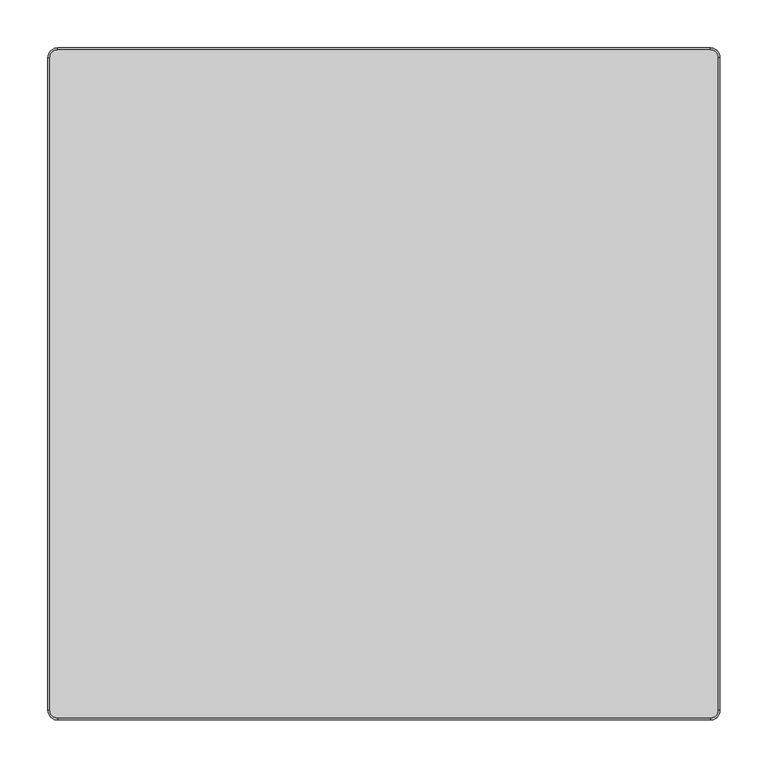
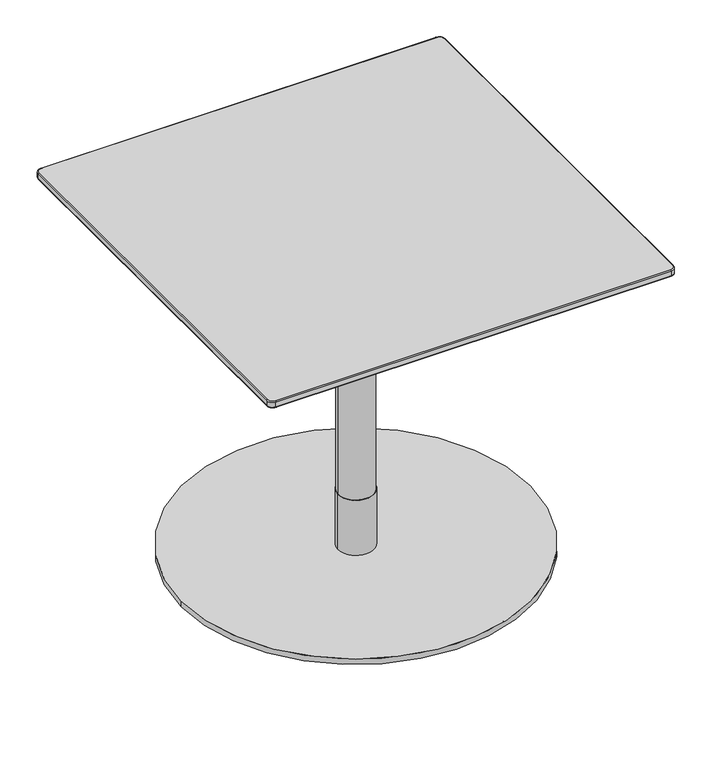
"""IFC4 building model written with IfcOpenShell, lengths in millimetres: furniture geometry."""

from ifc_helpers import new_model, si_unit, point, frame, origin, origin_with_axes, origin_2d, place, context, project, spatial, polyline, circle_curve, ellipse_curve, trimmed, segment, composite_curve, outline, extrude, source, transform, mapped, element, save
from ifc_brep_helpers import plane_surface, cylinder_surface, revolved_surface, spline_surface, advanced_brep


def furniture_01a43686(model_context):
    return source(origin(), model_context, "Body", "SolidModel", [
        advanced_brep(
        [(-348.0, -340.0, 600.0), (-340.0, -348.0, 600.0), (340.0, -348.0, 600.0), (348.0, -340.0, 600.0), (348.0, 340.0, 600.0), (340.0, 348.0, 600.0), (-340.0, 348.0, 600.0), (-348.0, 340.0, 600.0), (-340.0, -348.6840403, 588.2400004), (-348.6840403, -340.0, 588.2400004), (-348.6840403, 340.0, 588.2400004), (-340.0, 348.6840403, 588.2400004), (340.0, 348.6840403, 588.2400004), (348.6840403, 340.0, 588.2400004), (348.6840403, -340.0, 588.2400004), (340.0, -348.6840403, 588.2400004), (340.0, 350.0, 598.0000002), (340.0, 350.0, 590.1193857), (-340.0, 350.0, 590.1193857), (-340.0, 350.0, 598.0), (-350.0, 340.0, 598.0000002), (-350.0, 340.0, 590.1193857), (-350.0, -340.0, 590.1193857), (-350.0, -340.0, 598.0000013), (-340.0, -350.0, 598.0000002), (-340.0, -350.0, 590.1193857), (340.0, -350.0, 590.1193857), (340.0, -350.0, 598.0), (350.0, -340.0, 598.0000002), (350.0, -340.0, 590.1193857), (350.0, 340.0, 590.1193857), (350.0, 340.0, 598.0)],
        [
            (0, 1, circle_curve(frame((-340.0, -340.0, 600.0), z_axis=(0.0, 0.0, 1.0), x_axis=(-1.0, 0.0, 0.0)), 8.0)),
            (1, 2),
            (2, 3, circle_curve(frame((340.0, -340.0, 600.0), z_axis=(0.0, 0.0, 1.0), x_axis=(0.0, -1.0, 0.0)), 8.0)),
            (3, 4),
            (4, 5, circle_curve(frame((340.0, 340.0, 600.0), z_axis=(0.0, 0.0, 1.0), x_axis=(1.0, 0.0, 0.0)), 8.0)),
            (5, 6),
            (6, 7, circle_curve(frame((-340.0, 340.0, 600.0), z_axis=(0.0, 0.0, 1.0), x_axis=(0.0, 1.0, 0.0)), 8.0)),
            (7, 0),
            (8, 9, circle_curve(frame((-340.0, -340.0, 588.2400004), z_axis=(0.0, 0.0, -1.0), x_axis=(-1.0, 0.0, 0.0)), 8.6840403)),
            (9, 10),
            (10, 11, circle_curve(frame((-340.0, 340.0, 588.2400004), z_axis=(0.0, 0.0, -1.0), x_axis=(0.0, 1.0, 0.0)), 8.6840403)),
            (11, 12),
            (12, 13, circle_curve(frame((340.0, 340.0, 588.2400004), z_axis=(0.0, 0.0, -1.0), x_axis=(1.0, 0.0, 0.0)), 8.6840403)),
            (13, 14),
            (14, 15, circle_curve(frame((340.0, -340.0, 588.2400004), z_axis=(0.0, 0.0, -1.0), x_axis=(0.0, -1.0, 0.0)), 8.6840403)),
            (15, 8),
            (16, 17),
            (17, 18),
            (18, 19),
            (19, 16),
            (20, 21),
            (21, 22),
            (22, 23),
            (23, 20),
            (24, 25),
            (25, 26),
            (26, 27),
            (27, 24),
            (28, 29),
            (29, 30),
            (30, 31),
            (31, 28),
            (20, 19, circle_curve(frame((-340.0, 340.0, 598.0), z_axis=(0.0, 0.0, -1.0), x_axis=(1.0, 0.0, 0.0)), 10.0)),
            (18, 21, circle_curve(frame((-340.0, 340.0, 590.1193857), z_axis=(0.0, 0.0, 1.0), x_axis=(1.0, 0.0, 0.0)), 10.0)),
            (24, 23, circle_curve(frame((-340.0, -340.0, 598.0), z_axis=(0.0, 0.0, -1.0), x_axis=(1.0, 0.0, 0.0)), 10.0)),
            (22, 25, circle_curve(frame((-340.0, -340.0, 590.1193857), z_axis=(0.0, 0.0, 1.0), x_axis=(1.0, 0.0, 0.0)), 10.0)),
            (28, 27, circle_curve(frame((340.0, -340.0, 598.0), z_axis=(0.0, 0.0, -1.0), x_axis=(1.0, 0.0, 0.0)), 10.0)),
            (26, 29, circle_curve(frame((340.0, -340.0, 590.1193857), z_axis=(0.0, 0.0, 1.0), x_axis=(1.0, 0.0, 0.0)), 10.0)),
            (16, 31, circle_curve(frame((340.0, 340.0, 598.0), z_axis=(0.0, 0.0, -1.0), x_axis=(1.0, 0.0, 0.0)), 10.0)),
            (30, 17, circle_curve(frame((340.0, 340.0, 590.1193857), z_axis=(0.0, 0.0, 1.0), x_axis=(1.0, 0.0, 0.0)), 10.0)),
            (8, 25, circle_curve(frame((-340.0, -348.0, 590.1193857), z_axis=(-1.0, 0.0, 0.0), x_axis=(0.0, 1.0, 0.0)), 2.0)),
            (22, 9, circle_curve(frame((-348.0, -340.0, 590.1193857), z_axis=(0.0, -1.0, 0.0), x_axis=(1.0, 0.0, 0.0)), 2.0)),
            (24, 1, circle_curve(frame((-340.0, -348.0, 598.0), z_axis=(-1.0, 0.0, 0.0), x_axis=(0.0, 1.0, 0.0)), 2.0)),
            (0, 23, circle_curve(frame((-348.0, -340.0, 598.0), z_axis=(0.0, -1.0, 0.0), x_axis=(1.0, 0.0, 0.0)), 2.0)),
            (15, 26, circle_curve(frame((340.0, -348.0, 590.1193857), z_axis=(-1.0, 0.0, 0.0), x_axis=(0.0, 1.0, 0.0)), 2.0)),
            (27, 2, circle_curve(frame((340.0, -348.0, 598.0), z_axis=(-1.0, 0.0, 0.0), x_axis=(0.0, 1.0, 0.0)), 2.0)),
            (14, 29, circle_curve(frame((348.0, -340.0, 590.1193857), z_axis=(0.0, -1.0, 0.0), x_axis=(-1.0, 0.0, 0.0)), 2.0)),
            (28, 3, circle_curve(frame((348.0, -340.0, 598.0), z_axis=(0.0, -1.0, 0.0), x_axis=(-1.0, 0.0, 0.0)), 2.0)),
            (13, 30, circle_curve(frame((348.0, 340.0, 590.1193857), z_axis=(0.0, -1.0, 0.0), x_axis=(-1.0, 0.0, 0.0)), 2.0)),
            (31, 4, circle_curve(frame((348.0, 340.0, 598.0), z_axis=(0.0, -1.0, 0.0), x_axis=(-1.0, 0.0, 0.0)), 2.0)),
            (12, 17, circle_curve(frame((340.0, 348.0, 590.1193857), z_axis=(1.0, 0.0, 0.0), x_axis=(0.0, -1.0, 0.0)), 2.0)),
            (16, 5, circle_curve(frame((340.0, 348.0, 598.0), z_axis=(1.0, 0.0, 0.0), x_axis=(0.0, -1.0, 0.0)), 2.0)),
            (11, 18, circle_curve(frame((-340.0, 348.0, 590.1193857), z_axis=(1.0, 0.0, 0.0), x_axis=(0.0, -1.0, 0.0)), 2.0)),
            (19, 6, circle_curve(frame((-340.0, 348.0, 598.0), z_axis=(1.0, 0.0, 0.0), x_axis=(0.0, -1.0, 0.0)), 2.0)),
            (10, 21, circle_curve(frame((-348.0, 340.0, 590.1193857), z_axis=(0.0, 1.0, 0.0), x_axis=(1.0, 0.0, 0.0)), 2.0)),
            (20, 7, circle_curve(frame((-348.0, 340.0, 598.0), z_axis=(0.0, 1.0, 0.0), x_axis=(1.0, 0.0, 0.0)), 2.0)),
        ],
        [
            plane_surface(frame((-330.0, 350.0, 600.0), z_axis=(0.0, 0.0, 1.0), x_axis=(-1.0, 0.0, 0.0))),
            plane_surface(frame((-330.0, 350.0, 588.2400004), z_axis=(0.0, 0.0, -1.0), x_axis=(1.0, 0.0, 0.0))),
            plane_surface(frame((340.0, 350.0, 600.0), z_axis=(0.0, 1.0, 0.0), x_axis=(0.0, 0.0, -1.0))),
            plane_surface(frame((-350.0, 340.0, 600.0), z_axis=(-1.0, 0.0, 0.0), x_axis=(0.0, 0.0, -1.0))),
            plane_surface(frame((-340.0, -350.0, 600.0), z_axis=(0.0, -1.0, 0.0), x_axis=(0.0, 0.0, -1.0))),
            plane_surface(frame((350.0, -340.0, 600.0), z_axis=(1.0, 0.0, 0.0), x_axis=(0.0, 0.0, -1.0))),
            cylinder_surface(frame((-340.0, 340.0, 588.2400004), z_axis=(0.0, 0.0, 1.0), x_axis=(1.0, 0.0, 0.0)), 10.0),
            cylinder_surface(frame((-340.0, -340.0, 588.2400004), z_axis=(0.0, 0.0, 1.0), x_axis=(1.0, 0.0, 0.0)), 10.0),
            cylinder_surface(frame((340.0, -340.0, 588.2400004), z_axis=(0.0, 0.0, 1.0), x_axis=(1.0, 0.0, 0.0)), 10.0),
            cylinder_surface(frame((340.0, 340.0, 588.2400004), z_axis=(0.0, 0.0, 1.0), x_axis=(1.0, 0.0, 0.0)), 10.0),
            revolved_surface(trimmed(ellipse_curve(frame((-348.0, -340.0, 590.1193857), z_axis=(0.0, 1.0, 0.0), x_axis=(1.0, 0.0, 0.0)), 2.0, 2.0), [point((-348.6840403, -340.0, 588.2400004))], [point((-350.0, -340.0, 590.1193857))], True, "CARTESIAN"), (-340.0, -340.0, 6.1202237), (0.0, 0.0, 1.0)),
            revolved_surface(trimmed(ellipse_curve(frame((-348.0, -340.0, 598.0), z_axis=(0.0, 1.0, 0.0), x_axis=(1.0, 0.0, 0.0)), 2.0, 2.0), [point((-350.0, -340.0, 598.0))], [point((-348.0, -340.0, 600.0))], True, "CARTESIAN"), (-340.0, -340.0, 6.1202237), (0.0, 0.0, 1.0)),
            cylinder_surface(frame((-340.0, -348.0, 590.1193857), z_axis=(1.0, 0.0, 0.0), x_axis=(0.0, 1.0, 0.0)), 2.0),
            cylinder_surface(frame((-340.0, -348.0, 598.0), z_axis=(1.0, 0.0, 0.0), x_axis=(0.0, 1.0, 0.0)), 2.0),
            revolved_surface(trimmed(ellipse_curve(frame((340.0, -348.0, 590.1193857), z_axis=(-1.0, 0.0, 0.0), x_axis=(0.0, 1.0, 0.0)), 2.0, 2.0), [point((340.0, -348.6840403, 588.2400004))], [point((340.0, -350.0, 590.1193857))], True, "CARTESIAN"), (340.0, -340.0, 6.1202237), (0.0, 0.0, 1.0)),
            revolved_surface(trimmed(ellipse_curve(frame((340.0, -348.0, 598.0), z_axis=(-1.0, 0.0, 0.0), x_axis=(0.0, 1.0, 0.0)), 2.0, 2.0), [point((340.0, -350.0, 598.0))], [point((340.0, -348.0, 600.0))], True, "CARTESIAN"), (340.0, -340.0, 6.1202237), (0.0, 0.0, 1.0)),
            cylinder_surface(frame((348.0, -340.0, 590.1193857), z_axis=(0.0, 1.0, 0.0), x_axis=(-1.0, 0.0, 0.0)), 2.0),
            cylinder_surface(frame((348.0, -340.0, 598.0), z_axis=(0.0, 1.0, 0.0), x_axis=(-1.0, 0.0, 0.0)), 2.0),
            revolved_surface(trimmed(ellipse_curve(frame((348.0, 340.0, 590.1193857), z_axis=(0.0, -1.0, 0.0), x_axis=(-1.0, 0.0, 0.0)), 2.0, 2.0), [point((348.6840403, 340.0, 588.2400004))], [point((350.0, 340.0, 590.1193857))], True, "CARTESIAN"), (340.0, 340.0, 6.1202237), (0.0, 0.0, 1.0)),
            revolved_surface(trimmed(ellipse_curve(frame((348.0, 340.0, 598.0), z_axis=(0.0, -1.0, 0.0), x_axis=(-1.0, 0.0, 0.0)), 2.0, 2.0), [point((350.0, 340.0, 598.0))], [point((348.0, 340.0, 600.0))], True, "CARTESIAN"), (340.0, 340.0, 6.1202237), (0.0, 0.0, 1.0)),
            cylinder_surface(frame((340.0, 348.0, 590.1193857), z_axis=(-1.0, 0.0, 0.0), x_axis=(0.0, -1.0, 0.0)), 2.0),
            cylinder_surface(frame((340.0, 348.0, 598.0), z_axis=(-1.0, 0.0, 0.0), x_axis=(0.0, -1.0, 0.0)), 2.0),
            revolved_surface(trimmed(ellipse_curve(frame((-340.0, 348.0, 590.1193857), z_axis=(1.0, 0.0, 0.0), x_axis=(0.0, -1.0, 0.0)), 2.0, 2.0), [point((-340.0, 348.6840403, 588.2400004))], [point((-340.0, 350.0, 590.1193857))], True, "CARTESIAN"), (-340.0, 340.0, 6.1202237), (0.0, 0.0, 1.0)),
            revolved_surface(trimmed(ellipse_curve(frame((-340.0, 348.0, 598.0), z_axis=(1.0, 0.0, 0.0), x_axis=(0.0, -1.0, 0.0)), 2.0, 2.0), [point((-340.0, 350.0, 598.0))], [point((-340.0, 348.0, 600.0))], True, "CARTESIAN"), (-340.0, 340.0, 6.1202237), (0.0, 0.0, 1.0)),
            cylinder_surface(frame((-348.0, 340.0, 590.1193857), z_axis=(0.0, -1.0, 0.0), x_axis=(1.0, 0.0, 0.0)), 2.0),
            cylinder_surface(frame((-348.0, 340.0, 598.0), z_axis=(0.0, -1.0, 0.0), x_axis=(1.0, 0.0, 0.0)), 2.0),
        ],
        [
            (0, [[1, 2, 3, 4, 5, 6, 7, 8]]),
            (1, [[9, 10, 11, 12, 13, 14, 15, 16]]),
            (2, [[17, 18, 19, 20]]),
            (3, [[21, 22, 23, 24]]),
            (4, [[25, 26, 27, 28]]),
            (5, [[29, 30, 31, 32]]),
            (6, [[-21, 33, -19, 34]]),
            (7, [[-25, 35, -23, 36]]),
            (8, [[-29, 37, -27, 38]]),
            (9, [[-17, 39, -31, 40]]),
            (10, [[41, -36, 42, -9]]),
            (11, [[43, -1, 44, -35]]),
            (12, [[-41, -16, 45, -26]]),
            (13, [[-43, -28, 46, -2]]),
            (14, [[-45, -15, 47, -38]]),
            (15, [[-46, -37, 48, -3]]),
            (16, [[-47, -14, 49, -30]]),
            (17, [[-48, -32, 50, -4]]),
            (18, [[-49, -13, 51, -40]]),
            (19, [[-50, -39, 52, -5]]),
            (20, [[-51, -12, 53, -18]]),
            (21, [[-52, -20, 54, -6]]),
            (22, [[-53, -11, 55, -34]]),
            (23, [[-54, -33, 56, -7]]),
            (24, [[-42, -22, -55, -10]]),
            (25, [[-44, -8, -56, -24]]),
        ],
    ),
        advanced_brep(
        [(340.0, 348.6840403, 588.2400004), (-340.0, 348.6840403, 588.2400004), (-348.6840403, 340.0, 588.2400004), (-348.6840403, -340.0, 588.2400004), (-340.0, -348.6840403, 588.2400004), (340.0, -348.6840403, 588.2400004), (348.6840403, -340.0, 588.2400004), (348.6840403, 340.0, 588.2400004), (312.030341, 320.0, 577.7932619), (320.0, 312.030341, 577.7932619), (320.0, -312.030341, 577.7932619), (312.030341, -320.0, 577.7932619), (-312.030341, -320.0, 577.7932619), (-320.0, -312.030341, 577.7932619), (-320.0, 312.030341, 577.7932619), (-312.030341, 320.0, 577.7932619)],
        [
            (0, 1),
            (1, 2, circle_curve(frame((-340.0, 340.0, 588.2400004), z_axis=(0.0, 0.0, 1.0), x_axis=(1.0, 0.0, 0.0)), 8.6840403)),
            (2, 3),
            (3, 4, circle_curve(frame((-340.0, -340.0, 588.2400004), z_axis=(0.0, 0.0, 1.0), x_axis=(1.0, 0.0, 0.0)), 8.6840403)),
            (4, 5),
            (5, 6, circle_curve(frame((340.0, -340.0, 588.2400004), z_axis=(0.0, 0.0, 1.0), x_axis=(1.0, 0.0, 0.0)), 8.6840403)),
            (6, 7),
            (7, 0, circle_curve(frame((340.0, 340.0, 588.2400004), z_axis=(0.0, 0.0, 1.0), x_axis=(1.0, 0.0, 0.0)), 8.6840403)),
            (8, 9, circle_curve(frame((312.030341, 312.030341, 577.7932619), z_axis=(0.0, 0.0, -1.0), x_axis=(1.0, 0.0, 0.0)), 7.969659)),
            (9, 10),
            (10, 11, circle_curve(frame((312.030341, -312.030341, 577.7932619), z_axis=(0.0, 0.0, -1.0), x_axis=(1.0, 0.0, 0.0)), 7.969659)),
            (11, 12),
            (12, 13, circle_curve(frame((-312.030341, -312.030341, 577.7932619), z_axis=(0.0, 0.0, -1.0), x_axis=(1.0, 0.0, 0.0)), 7.969659)),
            (13, 14),
            (14, 15, circle_curve(frame((-312.030341, 312.030341, 577.7932619), z_axis=(0.0, 0.0, -1.0), x_axis=(1.0, 0.0, 0.0)), 7.969659)),
            (15, 8),
            (15, 1),
            (0, 8),
            (14, 2),
            (13, 3),
            (12, 4),
            (11, 5),
            (10, 6),
            (9, 7),
        ],
        [
            plane_surface(frame((0.0, 0.0, 588.2400004), z_axis=(0.0, 0.0, 1.0), x_axis=(-1.0, 0.0, 0.0))),
            plane_surface(frame((0.0, 0.0, 577.7932619), z_axis=(0.0, 0.0, -1.0), x_axis=(-1.0, 0.0, 0.0))),
            plane_surface(frame((0.0, 320.0, 577.7932619), z_axis=(0.0, 0.3422110930581683, -0.9396230987943697), x_axis=(-1.0, 0.0, 0.0))),
            spline_surface(2, 1, [[(-312.030341, 320.0, 577.7932619), (-340.0, 348.6840403, 588.2400004)], [(-320.0, 320.0, 577.7932619), (-348.6840403, 348.6840403, 588.2400004)], [(-320.0, 312.030341, 577.7932619), (-348.6840403, 340.0, 588.2400004)]], [3, 3], [2, 2], [0.0, 1.0], [0.0, 1.0], weights=[[1.0, 1.0], [0.7071067811865476, 0.7071067811865476], [1.0, 1.0]]),
            plane_surface(frame((-320.0, 0.0, 577.7932619), z_axis=(-0.3422110930581668, 0.0, -0.9396230987943701), x_axis=(0.0, -1.0, 0.0))),
            spline_surface(2, 1, [[(-320.0, -312.030341, 577.7932619), (-348.6840403, -340.0, 588.2400004)], [(-320.0, -320.0, 577.7932619), (-348.6840403, -348.6840403, 588.2400004)], [(-312.030341, -320.0, 577.7932619), (-340.0, -348.6840403, 588.2400004)]], [3, 3], [2, 2], [0.0, 1.0], [0.0, 1.0], weights=[[1.0, 1.0], [0.7071067811865476, 0.7071067811865476], [1.0, 1.0]]),
            plane_surface(frame((0.0, -320.0, 577.7932619), z_axis=(0.0, -0.3422110930581683, -0.9396230987943697), x_axis=(1.0, 0.0, 0.0))),
            spline_surface(2, 1, [[(312.030341, -320.0, 577.7932619), (340.0, -348.6840403, 588.2400004)], [(320.0, -320.0, 577.7932619), (348.6840403, -348.6840403, 588.2400004)], [(320.0, -312.030341, 577.7932619), (348.6840403, -340.0, 588.2400004)]], [3, 3], [2, 2], [0.0, 1.0], [0.0, 1.0], weights=[[1.0, 1.0], [0.7071067811865476, 0.7071067811865476], [1.0, 1.0]]),
            plane_surface(frame((320.0, 0.0, 577.7932619), z_axis=(0.3422110930581697, 0.0, -0.9396230987943692), x_axis=(0.0, 1.0, 0.0))),
            spline_surface(2, 1, [[(320.0, 312.030341, 577.7932619), (348.6840403, 340.0, 588.2400004)], [(320.0, 320.0, 577.7932619), (348.6840403, 348.6840403, 588.2400004)], [(312.030341, 320.0, 577.7932619), (340.0, 348.6840403, 588.2400004)]], [3, 3], [2, 2], [0.0, 1.0], [0.0, 1.0], weights=[[1.0, 1.0], [0.7071067811865476, 0.7071067811865476], [1.0, 1.0]]),
        ],
        [
            (0, [[1, 2, 3, 4, 5, 6, 7, 8]]),
            (1, [[9, 10, 11, 12, 13, 14, 15, 16]]),
            (2, [[-16, 17, -1, 18]]),
            (3, [[-15, 19, -2, -17]]),
            (4, [[-14, 20, -3, -19]]),
            (5, [[-13, 21, -4, -20]]),
            (6, [[-12, 22, -5, -21]]),
            (7, [[-11, 23, -6, -22]]),
            (8, [[-10, 24, -7, -23]]),
            (9, [[-9, -18, -8, -24]]),
        ],
    ),
        extrude(outline(polyline([(175.0000945, 174.9403258), (175.0000945, -175.0598632), (-175.0000945, -175.0598632), (-175.0000945, 174.9403258), (175.0000945, 174.9403258)])), frame((0.0, 0.0, 572.7932592), z_axis=(0.0, 0.0, 1.0), x_axis=(1.0, 0.0, 0.0)), (0.0, 0.0, 1.0), 5.0000027),
        extrude(outline(composite_curve([segment(trimmed(circle_curve(origin_2d(), 31.0), [point((-31.0, 0.0))], [point((31.0, 0.0))], False, "CARTESIAN"), True, "CONTINUOUS"), segment(trimmed(circle_curve(origin_2d(), 31.0), [point((31.0, 0.0))], [point((-31.0, 0.0))], False, "CARTESIAN"), True, "CONTINUOUS")], self_intersect=False)), frame((0.0, 0.0, 472.7932663), z_axis=(0.0, 0.0, 1.0), x_axis=(1.0, 0.0, 0.0)), (0.0, 0.0, 1.0), 99.999993),
        extrude(outline(composite_curve([segment(trimmed(circle_curve(origin_2d(), 30.0), [point((-30.0, 0.0))], [point((30.0, 0.0))], False, "CARTESIAN"), True, "CONTINUOUS"), segment(trimmed(circle_curve(origin_2d(), 30.0), [point((30.0, 0.0))], [point((-30.0, 0.0))], False, "CARTESIAN"), True, "CONTINUOUS")], self_intersect=False)), frame((0.0, 0.0, 110.0016526), z_axis=(0.0, 0.0, 1.0), x_axis=(1.0, 0.0, 0.0)), (0.0, 0.0, 1.0), 362.7916137),
        extrude(outline(composite_curve([segment(trimmed(circle_curve(origin_2d(), 31.0), [point((-31.0, 0.0))], [point((31.0, 0.0))], False, "CARTESIAN"), True, "CONTINUOUS"), segment(trimmed(circle_curve(origin_2d(), 31.0), [point((31.0, 0.0))], [point((-31.0, 0.0))], False, "CARTESIAN"), True, "CONTINUOUS")], self_intersect=False)), frame((0.0, 0.0, 10.0000044), z_axis=(0.0, 0.0, 1.0), x_axis=(1.0, 0.0, 0.0)), (0.0, 0.0, 1.0), 100.0016481),
        extrude(outline(composite_curve([segment(trimmed(circle_curve(origin_2d(), 300.0), [point((-300.0, 0.0))], [point((300.0, 0.0))], False, "CARTESIAN"), True, "CONTINUOUS"), segment(trimmed(circle_curve(origin_2d(), 300.0), [point((300.0, 0.0))], [point((-300.0, 0.0))], False, "CARTESIAN"), True, "CONTINUOUS")], self_intersect=False)), origin_with_axes(), (0.0, 0.0, 1.0), 10.0000044),
    ])


if __name__ == "__main__":
    model = new_model("IFC4")
    model_context = context("Model", 3, world=origin())
    ifc_project = project(units=[si_unit("LENGTHUNIT", "METRE", prefix="MILLI")], contexts=[model_context])
    site = spatial("IfcSite", under=ifc_project)
    building = spatial("IfcBuilding", under=site)
    placement = place(None, origin())
    furniture_shape = furniture_01a43686(model_context)
    element("IfcFurniture", 1, at=placement, inside=building, context=model_context, shape_type="MappedRepresentation", body=[
        mapped(furniture_shape, transform((0.0, 0.0, 0.0), x_axis=(1.0, 0.0, 0.0), y_axis=(0.0, 1.0, 0.0), z_axis=(0.0, 0.0, 1.0))),
    ])
    save(model, "model.ifc")
